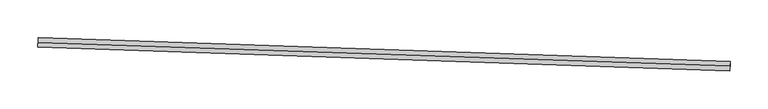
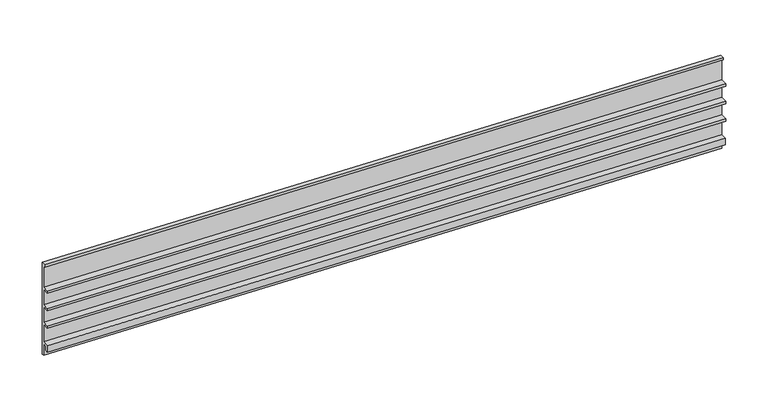
"""IFC4 building model written with IfcOpenShell, lengths in millimetres: proxy geometry."""

from ifc_helpers import new_model, si_unit, frame, origin, place, context, project, spatial, polyline, outline, extrude, source, transform, mapped, element, save


def generic_models_c8c2ebcd(model_context):
    return source(origin(), model_context, "Body", "SweptSolid", [
        extrude(outline(polyline([(0.0, 0.0), (0.0, 16.66875), (3.175, 16.66875), (3.175, -116.6811264), (-3.1698114, -116.6811264), (-3.1698114, -113.5063734), (0.0050651, -113.5063734), (0.0050651, -82.5499999), (-9.5211394, -82.5499999), (-9.5211394, -79.3753705), (0.0037371, -79.3753705), (0.0037371, -57.1499999), (-9.5222512, -57.1499999), (-9.5222512, -53.9749999), (0.001884, -53.9749999), (0.001884, -31.7503706), (-9.5232395, -31.7503706), (-9.5232395, -28.575), (0.0007722, -28.575), (0.0007722, -3.1753428), (-8.8100369, -3.1753428), (-8.8100369, 6.3498088), (-4.9123419, 6.3498088), (-4.9123419, 0.0), (0.0, 0.0)])), frame((34377.0959169, -14812.3999369, 4122.9013553), z_axis=(-0.9994149479166584, 0.03420178183578869, 0.0), x_axis=(0.03420178183578869, 0.9994149479166584, 0.0)), (0.0, 0.0, 1.0), 914.4),
    ])


if __name__ == "__main__":
    model = new_model("IFC4")
    model_context = context("Model", 3, world=origin())
    ifc_project = project(units=[si_unit("LENGTHUNIT", "METRE", prefix="MILLI")], contexts=[model_context])
    site = spatial("IfcSite", under=ifc_project)
    building = spatial("IfcBuilding", under=site)
    placement = place(None, origin())
    generic_models_shape = generic_models_c8c2ebcd(model_context)
    element("IfcBuildingElementProxy", 1, Name="Generic Models", at=placement, inside=building, context=model_context, shape_type="MappedRepresentation", body=[
        mapped(generic_models_shape, transform((0.0, 0.0, 0.0), x_axis=(1.0, 0.0, 0.0), y_axis=(0.0, 1.0, 0.0), z_axis=(0.0, 0.0, 1.0))),
    ])
    save(model, "model.ifc")
